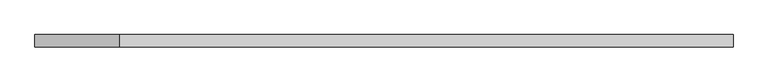
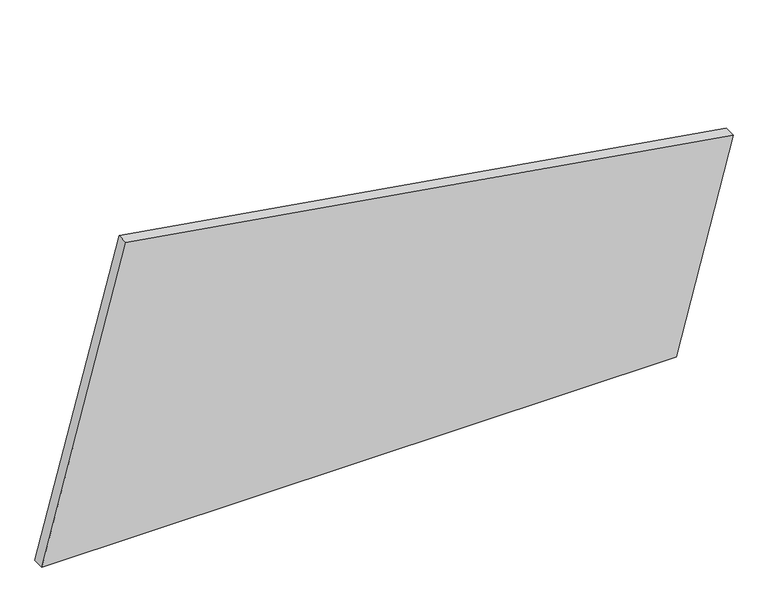
"""IFC4 building model written with IfcOpenShell, lengths in millimetres: plate geometry."""

from ifc_helpers import new_model, si_unit, frame, origin, place, context, project, spatial, polyline, outline, extrude, source, transform, mapped, element, save


def plate_69566c29(model_context):
    return source(origin(), model_context, "Body", "SweptSolid", [
        extrude(outline(polyline([(0.0, -718.8052209), (0.0, 601.0751093), (447.7848769, 718.8052209), (652.7022366, -543.9141837), (0.0, -718.8052209)])), frame((0.0, 24.5, 0.0), z_axis=(0.0, 1.0, 0.0), x_axis=(0.0, 0.0, 1.0)), (0.0, 0.0, 1.0), 25.0),
    ])


if __name__ == "__main__":
    model = new_model("IFC4")
    model_context = context("Model", 3, world=origin())
    ifc_project = project(units=[si_unit("LENGTHUNIT", "METRE", prefix="MILLI")], contexts=[model_context])
    site = spatial("IfcSite", under=ifc_project)
    building = spatial("IfcBuilding", under=site)
    placement = place(None, origin())
    plate_shape = plate_69566c29(model_context)
    element("IfcPlate", 1, at=placement, inside=building, context=model_context, shape_type="MappedRepresentation", body=[
        mapped(plate_shape, transform((0.0, 0.0, 0.0), x_axis=(1.0, 0.0, 0.0), y_axis=(0.0, 1.0, 0.0), z_axis=(0.0, 0.0, 1.0))),
    ])
    save(model, "model.ifc")
